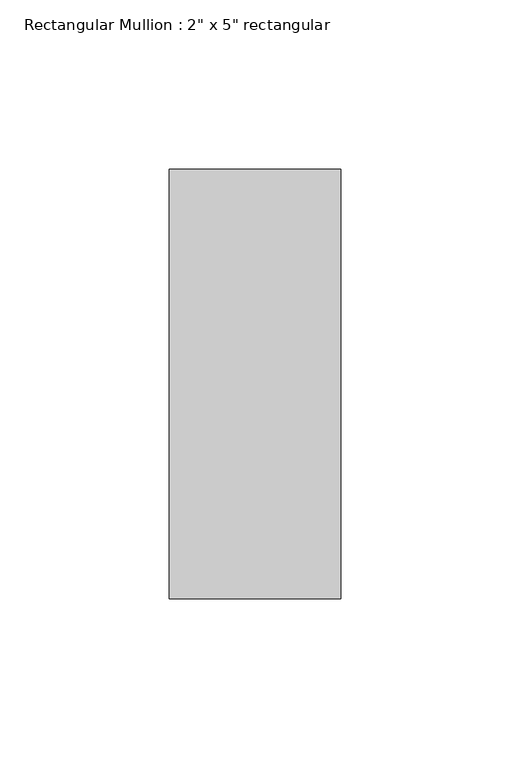
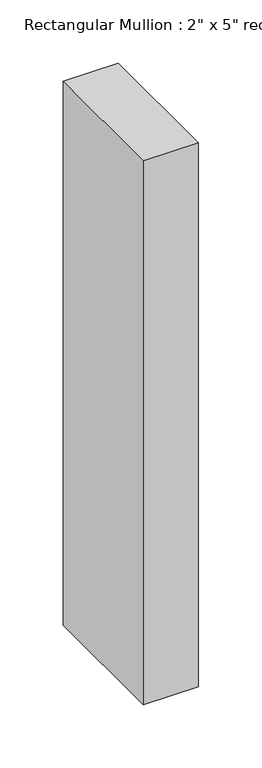
"""IFC4 building model written with IfcOpenShell, lengths in millimetres: member geometry."""

import ifcopenshell
import ifcopenshell.guid

model = None  # the IFC model being written
_history = None  # IfcOwnerHistory: only IFC2X3 demands one
_inside = {}  # id of a spatial element -> (the spatial element, [elements in it])
_under = {}  # id of a project, library or spatial element -> (it, [spatial elements below it])
_declared = {}  # id of a project -> (the project, [libraries it declares])
_typed = {}  # id of a type object -> (the type object, [elements of that type])
_made_of = {}  # id of a material, layer set ... -> (it, [elements and type objects made of it])


def new_model(schema):
    """Start an empty IFC model of exactly this schema.

    Asked for "IFC4X3", IfcOpenShell would pick the latest addendum, in which some entities
    have other attributes; the version numbers below select the first issue.
    IFC2X3 requires an IfcOwnerHistory on every rooted entity: one is made here for all.
    """
    global model, _history
    if schema == "IFC4X3":
        model = ifcopenshell.file(schema_version=(4, 3, 0, 0))
    else:
        model = ifcopenshell.file(schema=schema)
    _inside.clear()
    _under.clear()
    _declared.clear()
    _typed.clear()
    _made_of.clear()
    _history = None
    if model.schema == "IFC2X3":
        org = make("IfcOrganization", Name="unknown")
        user = make(
            "IfcPersonAndOrganization",
            ThePerson=make("IfcPerson", FamilyName="unknown"),
            TheOrganization=org,
        )
        app = make(
            "IfcApplication",
            ApplicationDeveloper=org,
            Version="unknown",
            ApplicationFullName="unknown",
            ApplicationIdentifier="unknown",
        )
        _history = make(
            "IfcOwnerHistory",
            OwningUser=user,
            OwningApplication=app,
            ChangeAction="ADDED",
            CreationDate=0,
        )
    return model


def make(cls, **values):
    """One entity of the class cls with the attributes given. An attribute that is None is left unset."""
    return model.create_entity(
        cls, **{name: value for name, value in values.items() if value is not None}
    )


def rooted(cls, **values):
    """An entity with a GlobalId (a new one), such as an element, a storey or a relation."""
    return make(cls, GlobalId=ifcopenshell.guid.new(), OwnerHistory=_history, **values)


def si_unit(unit_type, name, prefix=None):
    """IfcSIUnit, for example si_unit("LENGTHUNIT", "METRE", prefix="MILLI")."""
    return make("IfcSIUnit", UnitType=unit_type, Prefix=prefix, Name=name)


def assignment(units):
    """IfcUnitAssignment: the units of a project."""
    return None if units is None else make("IfcUnitAssignment", Units=units)


def point(xyz):
    """IfcCartesianPoint."""
    return None if xyz is None else make("IfcCartesianPoint", Coordinates=xyz)


def direction(xyz):
    """IfcDirection."""
    return None if xyz is None else make("IfcDirection", DirectionRatios=xyz)


def frame(location, z_axis=None, x_axis=None):
    """IfcAxis2Placement3D, a coordinate frame: its origin and axes. An axis left out is left unset."""
    return make(
        "IfcAxis2Placement3D",
        Location=point(location),
        Axis=direction(z_axis),
        RefDirection=direction(x_axis),
    )


def origin():
    """The frame at (0, 0, 0) with its axes left unset."""
    return frame((0.0, 0.0, 0.0))


def place(relative_to, where):
    """IfcLocalPlacement: puts the frame where relative to a parent placement (None: the world)."""
    return make(
        "IfcLocalPlacement", PlacementRelTo=relative_to, RelativePlacement=where
    )


def context(
    kind, dimensions, precision=None, world=None, true_north=None, identifier=None
):
    """IfcGeometricRepresentationContext, for example the 3D "Model" context."""
    return make(
        "IfcGeometricRepresentationContext",
        ContextIdentifier=identifier,
        ContextType=kind,
        CoordinateSpaceDimension=dimensions,
        Precision=precision,
        WorldCoordinateSystem=world,
        TrueNorth=true_north,
    )


def project(units=None, contexts=None):
    """IfcProject with its units and contexts."""
    return rooted(
        "IfcProject",
        Name="project",
        RepresentationContexts=contexts,
        UnitsInContext=assignment(units),
    )


def spatial(cls, under=None, at=None, **own):
    """A site, building, storey or space (cls), placed at a placement, below another one or the project."""
    s = rooted(cls, ObjectPlacement=at, **own)
    if under is not None:
        _under.setdefault(under.id(), (under, []))[1].append(s)
    return s


def polyline(points):
    """IfcPolyline through the points."""
    return make("IfcPolyline", Points=[point(p) for p in points])


def outline(outer, holes=None, kind="AREA"):
    """IfcArbitraryClosedProfileDef: a profile drawn as a closed curve; with holes, ...WithVoids."""
    if holes is None:
        return make("IfcArbitraryClosedProfileDef", ProfileType=kind, OuterCurve=outer)
    return make(
        "IfcArbitraryProfileDefWithVoids",
        ProfileType=kind,
        OuterCurve=outer,
        InnerCurves=holes,
    )


def extrude(swept, where, along, depth):
    """IfcExtrudedAreaSolid: the profile swept, set in the frame where, extruded along a direction by depth."""
    return make(
        "IfcExtrudedAreaSolid",
        SweptArea=swept,
        Position=where,
        ExtrudedDirection=direction(along),
        Depth=depth,
    )


def shape(context_of_items, identifier, shape_type, items):
    """IfcShapeRepresentation: the items that make up one representation, for example the "Body"."""
    return make(
        "IfcShapeRepresentation",
        ContextOfItems=context_of_items,
        RepresentationIdentifier=identifier,
        RepresentationType=shape_type,
        Items=items,
    )


def source(mapping_origin, context_of_items, identifier, shape_type, items):
    """IfcRepresentationMap: a shape defined once, which mapped items show again and again."""
    return make(
        "IfcRepresentationMap",
        MappingOrigin=mapping_origin,
        MappedRepresentation=shape(context_of_items, identifier, shape_type, items),
    )


def transform(
    local_origin,
    x_axis=None,
    y_axis=None,
    z_axis=None,
    scale=None,
    scale2=None,
    scale3=None,
    uniform=True,
):
    """IfcCartesianTransformationOperator3D, or its non-uniform kind. x_axis, y_axis, z_axis: its Axis1, 2, 3."""
    if uniform:
        return make(
            "IfcCartesianTransformationOperator3D",
            Axis1=direction(x_axis),
            Axis2=direction(y_axis),
            LocalOrigin=point(local_origin),
            Scale=scale,
            Axis3=direction(z_axis),
        )
    return make(
        "IfcCartesianTransformationOperator3DnonUniform",
        Axis1=direction(x_axis),
        Axis2=direction(y_axis),
        LocalOrigin=point(local_origin),
        Scale=scale,
        Axis3=direction(z_axis),
        Scale2=scale2,
        Scale3=scale3,
    )


def mapped(mapping_source, mapping_target):
    """IfcMappedItem: shows the shape of a source again, moved by a transform."""
    return make(
        "IfcMappedItem", MappingSource=mapping_source, MappingTarget=mapping_target
    )


def made_of(thing, what):
    """Note that an element or type object is made of a material, layer set ...; save() writes the relation."""
    if what is not None:
        _made_of.setdefault(what.id(), (what, []))[1].append(thing)
    return thing


def element(
    cls,
    number,
    at=None,
    inside=None,
    cuts=None,
    type_object=None,
    material=None,
    context=None,
    identifier="Body",
    shape_type=None,
    held_by="IfcProductDefinitionShape",
    body=None,
    shapes=None,
    **own,
):
    """One element of the class cls, such as IfcWall. Its Tag is "e" and its number.

    at: its placement. inside: the storey or other place that contains it. cuts: it is an
    opening in that element (IfcRelVoidsElement). A single representation is given by context,
    identifier, shape_type and body (its items); several are given by shapes. held_by: the class
    of the entity that holds the representations. save() writes the other relations.
    """
    e = rooted(cls, Tag="e%d" % number, ObjectPlacement=at, **own)
    if body is not None:
        shapes = [shape(context, identifier, shape_type, body)]
    if shapes is not None:
        e.Representation = make(held_by, Representations=shapes)
    if inside is not None:
        _inside.setdefault(inside.id(), (inside, []))[1].append(e)
    if cuts is not None:
        rooted(
            "IfcRelVoidsElement", RelatingBuildingElement=cuts, RelatedOpeningElement=e
        )
    if type_object is not None:
        _typed.setdefault(type_object.id(), (type_object, []))[1].append(e)
    return made_of(e, material)


def aggregate(whole, parts):
    """IfcRelAggregates: a whole, such as a stair, and the parts it consists of."""
    return rooted("IfcRelAggregates", RelatingObject=whole, RelatedObjects=parts)


def save(model, path):
    """Write the relations noted so far, then the file.

    IfcRelAggregates (storeys below a building ...), IfcRelContainedInSpatialStructure (elements
    in a storey), IfcRelDefinesByType, IfcRelAssociatesMaterial and IfcRelDeclares: one each for
    every whole, place, type object, material and project.
    """
    for whole, parts in _under.values():
        aggregate(whole, parts)
    for where, things in _inside.values():
        rooted(
            "IfcRelContainedInSpatialStructure",
            RelatedElements=things,
            RelatingStructure=where,
        )
    for kind, things in _typed.values():
        rooted("IfcRelDefinesByType", RelatedObjects=things, RelatingType=kind)
    for what, things in _made_of.values():
        rooted("IfcRelAssociatesMaterial", RelatedObjects=things, RelatingMaterial=what)
    for by, libraries in _declared.values():
        rooted("IfcRelDeclares", RelatingContext=by, RelatedDefinitions=libraries)
    model.write(path)


def member_dc906536(model_context):
    return source(origin(), model_context, "Body", "SweptSolid", [
        extrude(outline(polyline([(25.4, 63.5), (25.4, -63.5), (-25.4, -63.5), (-25.4, 63.5), (25.4, 63.5)])), frame((0.0, 0.0, -527.05), z_axis=(0.0, 0.0, 1.0), x_axis=(1.0, 0.0, 0.0)), (0.0, 0.0, 1.0), 527.05),
    ])


if __name__ == "__main__":
    model = new_model("IFC4")
    model_context = context("Model", 3, world=origin())
    ifc_project = project(units=[si_unit("LENGTHUNIT", "METRE", prefix="MILLI")], contexts=[model_context])
    site = spatial("IfcSite", under=ifc_project)
    building = spatial("IfcBuilding", under=site)
    placement = place(None, origin())
    member_shape = member_dc906536(model_context)
    element("IfcMember", 1, ObjectType="Rectangular Mullion : 2\" x 5\" rectangular", at=placement, inside=building, context=model_context, shape_type="MappedRepresentation", body=[
        mapped(member_shape, transform((0.0, 0.0, 0.0), x_axis=(1.0, 0.0, 0.0), y_axis=(0.0, 1.0, 0.0), z_axis=(0.0, 0.0, 1.0))),
    ])
    save(model, "model.ifc")
